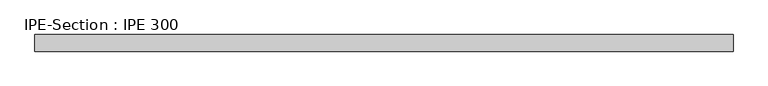
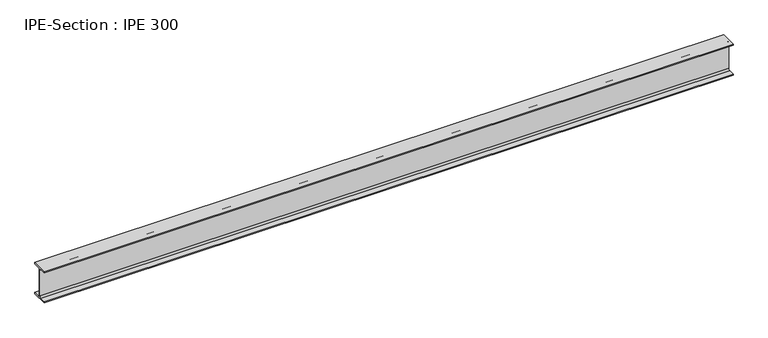
"""IFC4 building model written with IfcOpenShell, lengths in millimetres: beam geometry, IPE-Section : IPE 300."""

from ifc_helpers import new_model, si_unit, point, frame, frame_2d, origin, place, context, project, spatial, polyline, circle_curve, trimmed, segment, composite_curve, outline, extrude, source, transform, mapped, element, save


def ipe_section_ipe_300_c775af4a(model_context):
    return source(origin(), model_context, "Body", "SweptSolid", [
        extrude(outline(composite_curve([segment(polyline([(75.0, -139.3), (75.0, -150.0), (-75.0, -150.0), (-75.0, -139.3), (-18.55, -139.3)]), True, "CONTINUOUS"), segment(trimmed(circle_curve(frame_2d((-18.55, -124.3)), 15.0), [point((-18.55, -139.3))], [point((-3.55, -124.3))], True, "CARTESIAN"), True, "CONTINUOUS"), segment(polyline([(-3.55, -124.3), (-3.55, 124.3)]), True, "CONTINUOUS"), segment(trimmed(circle_curve(frame_2d((-18.55, 124.3)), 15.0), [point((-3.55, 124.3))], [point((-18.55, 139.3))], True, "CARTESIAN"), True, "CONTINUOUS"), segment(polyline([(-18.55, 139.3), (-75.0, 139.3), (-75.0, 150.0), (75.0, 150.0), (75.0, 139.3), (18.55, 139.3)]), True, "CONTINUOUS"), segment(trimmed(circle_curve(frame_2d((18.55, 124.3)), 15.0), [point((18.55, 139.3))], [point((3.55, 124.3))], True, "CARTESIAN"), True, "CONTINUOUS"), segment(polyline([(3.55, 124.3), (3.55, -124.3)]), True, "CONTINUOUS"), segment(trimmed(circle_curve(frame_2d((18.55, -124.3)), 15.0), [point((3.55, -124.3))], [point((18.55, -139.3))], True, "CARTESIAN"), True, "CONTINUOUS"), segment(polyline([(18.55, -139.3), (75.0, -139.3)]), True, "CONTINUOUS")], self_intersect=False)), frame((-3171.7794381, 0.0, 0.0), z_axis=(1.0, 0.0, 0.0), x_axis=(0.0, 1.0, 0.0)), (0.0, 0.0, 1.0), 6296.0611461),
    ])


if __name__ == "__main__":
    model = new_model("IFC4")
    model_context = context("Model", 3, world=origin())
    ifc_project = project(units=[si_unit("LENGTHUNIT", "METRE", prefix="MILLI")], contexts=[model_context])
    site = spatial("IfcSite", under=ifc_project)
    building = spatial("IfcBuilding", under=site)
    placement = place(None, origin())
    ipe_section_ipe_300_shape = ipe_section_ipe_300_c775af4a(model_context)
    element("IfcBeam", 1, ObjectType="IPE-Section : IPE 300", at=placement, inside=building, context=model_context, shape_type="MappedRepresentation", body=[
        mapped(ipe_section_ipe_300_shape, transform((0.0, 0.0, 0.0), x_axis=(1.0, 0.0, 0.0), y_axis=(0.0, 1.0, 0.0), z_axis=(0.0, 0.0, 1.0))),
    ])
    save(model, "model.ifc")
